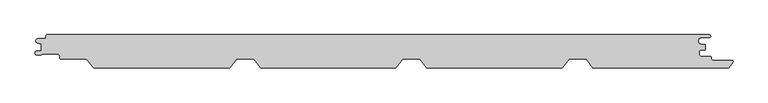
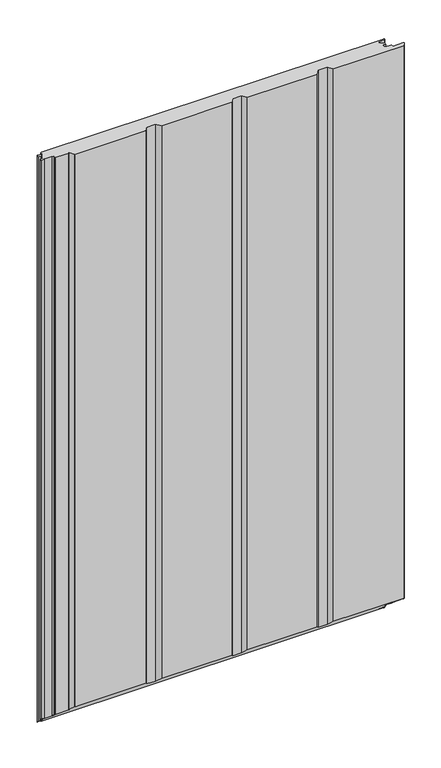
"""IFC4 building model written with IfcOpenShell, lengths in millimetres: proxy geometry."""

from ifc_helpers import new_model, si_unit, frame, origin, place, context, project, spatial, polyline, circle_curve, ellipse_curve, source, transform, mapped, element, save
from ifc_brep_helpers import plane_surface, cylinder_surface, revolved_surface, advanced_brep


def generic_models_5c6fae47(model_context):
    return source(origin(), model_context, "Body", "AdvancedBrep", [
        advanced_brep(
        [(497.8, 20.6, 1750.0), (500.0, 22.8, 1750.0), (497.8, 25.0, 1750.0), (-498.3, 25.0, 1750.0), (-500.0, 23.3, 1750.0), (-500.0, 21.2, 1750.0), (-502.3, 18.9, 1750.0), (-512.1, 18.9, 1750.0), (-512.8423385, 12.3845788, 1750.0), (-507.347117, 11.115907, 1750.0), (-507.347117, 0.4369697, 1750.0), (-513.6706314, 0.4369697, 1750.0), (-513.6706314, -5.5259348, 1750.0), (-507.3945609, -5.5259348, 1750.0), (-506.7792948, -4.9176786, 1750.0), (-505.0374222, -3.9004705, 1750.0), (-482.9999474, -3.9004705, 1750.0), (-479.5999474, -7.3004705, 1750.0), (-479.5999474, -9.6001056, 1750.0), (-477.1999474, -12.0001056, 1750.0), (-440.0250086, -12.0001056, 1750.0), (-438.1509234, -12.9008374, 1750.0), (-429.1021057, -24.2118596, 1750.0), (-427.4622812, -25.0, 1750.0), (-223.3843192, -25.0, 1750.0), (-212.9844163, -12.0, 1750.0), (-187.3999029, -12.0, 1750.0), (-177.0, -25.0, 1750.0), (26.6156808, -25.0, 1750.0), (37.0155837, -12.0, 1750.0), (62.6000971, -12.0, 1750.0), (73.0, -25.0, 1750.0), (276.6156808, -25.0, 1750.0), (287.0155837, -12.0, 1750.0), (312.6000971, -12.0, 1750.0), (323.0, -25.0, 1750.0), (527.1673425, -25.0, 1750.0), (533.3977704, -17.2119652, 1750.0), (531.7579459, -13.8001056, 1750.0), (503.3603917, -13.8001056, 1750.0), (501.3603917, -11.8001056, 1750.0), (501.3603917, -9.8331556, 1750.0), (499.3603917, -7.8331556, 1750.0), (485.634822, -7.8331556, 1750.0), (482.8848221, -5.0831556, 1750.0), (482.8848221, -0.5831555, 1750.0), (485.634822, 2.1668444, 1750.0), (491.826199, 2.1668444, 1750.0), (491.826199, 10.5637731, 1750.0), (486.1740239, 10.5637731, 1750.0), (486.1740239, 20.6, 1750.0), (486.1740239, 20.6, 4.4), (497.8, 20.6, 4.4), (486.1740239, 10.5637731, 14.4362269), (491.826199, 10.5637731, 14.4362269), (499.3603917, -7.8331556, 32.8331556), (485.634822, -7.8331556, 32.8331556), (501.3603917, -9.8331556, 34.8331556), (501.3603917, -11.8001056, 36.8001056), (503.3603917, -13.8001056, 38.8001056), (531.7579459, -13.8001056, 38.8001056), (533.3977704, -17.2119652, 42.2119652), (527.1673425, -25.0, 50.0), (323.0, -25.0, 50.0), (73.0, -25.0, 50.0), (276.6156808, -25.0, 50.0), (-177.0, -25.0, 50.0), (26.6156808, -25.0, 50.0), (-427.4622812, -25.0, 50.0), (-223.3843192, -25.0, 50.0), (-429.1021057, -24.2118596, 49.2118596), (-438.1509234, -12.9008374, 37.9008374), (-440.0250086, -12.0001056, 37.0001056), (-477.1999474, -12.0001056, 37.0001056), (-479.5999474, -9.6001056, 34.6001056), (-479.5999474, -7.3004705, 32.3004705), (-482.9999474, -3.9004705, 28.9004705), (-505.0374222, -3.9004705, 28.9004705), (-506.7792948, -4.9176786, 29.9176786), (-507.3945609, -5.5259348, 30.5259348), (-507.347117, 11.115907, 13.884093), (-507.347117, 0.4369697, 24.5630303), (-512.8423385, 12.3845788, 12.6154212), (-512.1, 18.9, 6.1), (-502.3, 18.9, 6.1), (-500.0, 21.2, 3.8), (-500.0, 23.3, 1.7), (-498.3, 25.0, 0.0), (497.8, 25.0, 0.0), (500.0, 22.8, 2.2), (485.634822, 2.1668444, 22.8331556), (491.826199, 2.1668444, 22.8331556), (-513.6706314, -5.5259348, 30.5259348), (-513.6706314, 0.4369697, 24.5630303), (482.8848221, -0.5831555, 25.5831555), (482.8848221, -5.0831556, 30.0831556), (287.0155837, -12.0, 37.0), (312.6000971, -12.0, 37.0), (37.0155837, -12.0, 37.0), (62.6000971, -12.0, 37.0), (-212.9844163, -12.0, 37.0), (-187.3999029, -12.0, 37.0)],
        [
            (0, 1, circle_curve(frame((497.8, 22.8, 1750.0), z_axis=(0.0, 0.0, 1.0), x_axis=(1.0, 0.0, 0.0)), 2.2)),
            (1, 2, circle_curve(frame((497.8, 22.8, 1750.0), z_axis=(0.0, 0.0, 1.0), x_axis=(1.0, 0.0, 0.0)), 2.2)),
            (2, 3),
            (3, 4, circle_curve(frame((-498.3, 23.3, 1750.0), z_axis=(0.0, 0.0, 1.0), x_axis=(1.0, 0.0, 0.0)), 1.7)),
            (4, 5),
            (5, 6, circle_curve(frame((-502.3, 21.2, 1750.0), z_axis=(0.0, 0.0, -1.0), x_axis=(1.0, 0.0, 0.0)), 2.3)),
            (6, 7),
            (7, 8, circle_curve(frame((-512.1, 15.6, 1750.0), z_axis=(0.0, 0.0, 1.0), x_axis=(1.0, 0.0, 0.0)), 3.3)),
            (8, 9),
            (9, 10),
            (10, 11),
            (11, 12, circle_curve(frame((-513.6706314, -2.5444825, 1750.0), z_axis=(0.0, 0.0, 1.0), x_axis=(1.0, 0.0, 0.0)), 2.9814522)),
            (12, 13),
            (13, 14, circle_curve(frame((-508.5138365, -3.7784532, 1750.0), z_axis=(0.0, 0.0, 1.0), x_axis=(1.0, 0.0, 0.0)), 2.0752035)),
            (14, 15, circle_curve(frame((-505.0374222, -5.9004705, 1750.0), z_axis=(0.0, 0.0, -1.0), x_axis=(1.0, 0.0, 0.0)), 2.0)),
            (15, 16),
            (16, 17, circle_curve(frame((-482.9999474, -7.3004705, 1750.0), z_axis=(0.0, 0.0, -1.0), x_axis=(1.0, 0.0, 0.0)), 3.4)),
            (17, 18),
            (18, 19, circle_curve(frame((-477.1999474, -9.6001056, 1750.0), z_axis=(0.0, 0.0, 1.0), x_axis=(1.0, 0.0, 0.0)), 2.4)),
            (19, 20),
            (20, 21, circle_curve(frame((-440.0250086, -14.4001056, 1750.0), z_axis=(0.0, 0.0, -1.0), x_axis=(1.0, 0.0, 0.0)), 2.4)),
            (21, 22),
            (22, 23, circle_curve(frame((-427.4622812, -22.9, 1750.0), z_axis=(0.0, 0.0, 1.0), x_axis=(1.0, 0.0, 0.0)), 2.1)),
            (23, 24),
            (24, 25),
            (25, 26),
            (26, 27),
            (27, 28),
            (28, 29),
            (29, 30),
            (30, 31),
            (31, 32),
            (32, 33),
            (33, 34),
            (34, 35),
            (35, 36),
            (36, 37),
            (37, 38, circle_curve(frame((531.7579459, -15.9001056, 1750.0), z_axis=(0.0, 0.0, 1.0), x_axis=(1.0, 0.0, 0.0)), 2.1)),
            (38, 39),
            (39, 40, circle_curve(frame((503.3603917, -11.8001056, 1750.0), z_axis=(0.0, 0.0, -1.0), x_axis=(1.0, 0.0, 0.0)), 2.0)),
            (40, 41),
            (41, 42, circle_curve(frame((499.3603917, -9.8331556, 1750.0), z_axis=(0.0, 0.0, 1.0), x_axis=(1.0, 0.0, 0.0)), 2.0)),
            (42, 43),
            (43, 44, circle_curve(frame((485.634822, -5.0831556, 1750.0), z_axis=(0.0, 0.0, -1.0), x_axis=(1.0, 0.0, 0.0)), 2.7499999)),
            (44, 45),
            (45, 46, circle_curve(frame((485.634822, -0.5831555, 1750.0), z_axis=(0.0, 0.0, -1.0), x_axis=(1.0, 0.0, 0.0)), 2.7499999)),
            (46, 47),
            (47, 48),
            (48, 49),
            (49, 50, circle_curve(frame((486.1740239, 15.5818865, 1750.0), z_axis=(0.0, 0.0, -1.0), x_axis=(1.0, 0.0, 0.0)), 5.0181135)),
            (50, 0),
            (50, 51),
            (51, 52),
            (52, 0),
            (49, 53),
            (53, 51, ellipse_curve(frame((486.1740239, 15.5818865, 9.4181135), z_axis=(0.0, -0.7071067811865517, -0.7071067811865434), x_axis=(0.0, 0.7071067811865434, -0.7071067811865517)), 7.0966841, 5.0181135)),
            (48, 54),
            (54, 53),
            (42, 55),
            (55, 56),
            (56, 43),
            (41, 57),
            (57, 55, ellipse_curve(frame((499.3603917, -9.8331556, 34.8331556), z_axis=(0.0, 0.7071067811865517, 0.7071067811865434), x_axis=(0.0, -0.7071067811865434, 0.7071067811865517)), 2.8284271, 2.0)),
            (40, 58),
            (58, 57),
            (39, 59),
            (59, 58, ellipse_curve(frame((503.3603917, -11.8001056, 36.8001056), z_axis=(0.0, -0.7071067811865517, -0.7071067811865434), x_axis=(0.0, 0.7071067811865434, -0.7071067811865517)), 2.8284271, 2.0)),
            (38, 60),
            (60, 59),
            (37, 61),
            (61, 60, ellipse_curve(frame((531.7579459, -15.9001056, 40.9001056), z_axis=(0.0, 0.7071067811865517, 0.7071067811865434), x_axis=(0.0, -0.7071067811865434, 0.7071067811865517)), 2.9698485, 2.1)),
            (36, 62),
            (62, 61),
            (35, 63),
            (63, 62),
            (31, 64),
            (64, 65),
            (65, 32),
            (27, 66),
            (66, 67),
            (67, 28),
            (68, 69),
            (69, 24),
            (23, 68),
            (22, 70),
            (70, 68, ellipse_curve(frame((-427.4622812, -22.9, 47.9), z_axis=(0.0, 0.7071067811865517, 0.7071067811865434), x_axis=(0.0, -0.7071067811865434, 0.7071067811865517)), 2.9698485, 2.1)),
            (21, 71),
            (71, 70),
            (20, 72),
            (72, 71, ellipse_curve(frame((-440.0250086, -14.4001056, 39.4001056), z_axis=(0.0, -0.7071067811865517, -0.7071067811865434), x_axis=(0.0, 0.7071067811865434, -0.7071067811865517)), 3.3941125, 2.4)),
            (19, 73),
            (73, 72),
            (18, 74),
            (74, 73, ellipse_curve(frame((-477.1999474, -9.6001056, 34.6001056), z_axis=(0.0, 0.7071067811865517, 0.7071067811865434), x_axis=(0.0, -0.7071067811865434, 0.7071067811865517)), 3.3941125, 2.4)),
            (17, 75),
            (75, 74),
            (16, 76),
            (76, 75, ellipse_curve(frame((-482.9999474, -7.3004705, 32.3004705), z_axis=(0.0, -0.7071067811865517, -0.7071067811865434), x_axis=(0.0, 0.7071067811865434, -0.7071067811865517)), 4.8083261, 3.4)),
            (15, 77),
            (77, 76),
            (14, 78),
            (78, 77, ellipse_curve(frame((-505.0374222, -5.9004705, 30.9004705), z_axis=(0.0, -0.7071067811865517, -0.7071067811865434), x_axis=(0.0, 0.7071067811865434, -0.7071067811865517)), 2.8284271, 2.0)),
            (13, 79),
            (79, 78, ellipse_curve(frame((-508.5138365, -3.7784532, 28.7784532), z_axis=(0.0, 0.7071067811865517, 0.7071067811865434), x_axis=(0.0, -0.7071067811865434, 0.7071067811865517)), 2.934781, 2.0752035)),
            (9, 80),
            (80, 81),
            (81, 10),
            (8, 82),
            (82, 80),
            (7, 83),
            (83, 82, ellipse_curve(frame((-512.1, 15.6, 9.4), z_axis=(0.0, 0.7071067811865517, 0.7071067811865434), x_axis=(0.0, -0.7071067811865434, 0.7071067811865517)), 4.6669048, 3.3)),
            (6, 84),
            (84, 83),
            (5, 85),
            (85, 84, ellipse_curve(frame((-502.3, 21.2, 3.8), z_axis=(0.0, -0.7071067811865517, -0.7071067811865434), x_axis=(0.0, 0.7071067811865434, -0.7071067811865517)), 3.2526912, 2.3)),
            (4, 86),
            (86, 85),
            (3, 87),
            (87, 86, ellipse_curve(frame((-498.3, 23.3, 1.7), z_axis=(0.0, 0.7071067811865517, 0.7071067811865434), x_axis=(0.0, -0.7071067811865434, 0.7071067811865517)), 2.4041631, 1.7)),
            (2, 88),
            (88, 87),
            (1, 89),
            (89, 88, ellipse_curve(frame((497.8, 22.8, 2.2), z_axis=(0.0, 0.7071067811865517, 0.7071067811865434), x_axis=(0.0, -0.7071067811865434, 0.7071067811865517)), 3.1112698, 2.2)),
            (52, 89, ellipse_curve(frame((497.8, 22.8, 2.2), z_axis=(0.0, 0.7071067811865517, 0.7071067811865434), x_axis=(0.0, -0.7071067811865434, 0.7071067811865517)), 3.1112698, 2.2)),
            (46, 90),
            (90, 91),
            (91, 47),
            (12, 92),
            (92, 79),
            (11, 93),
            (93, 92, ellipse_curve(frame((-513.6706314, -2.5444825, 27.5444825), z_axis=(0.0, 0.7071067811865517, 0.7071067811865434), x_axis=(0.0, -0.7071067811865434, 0.7071067811865517)), 4.2164102, 2.9814522)),
            (81, 93),
            (91, 54),
            (45, 94),
            (94, 90, ellipse_curve(frame((485.634822, -0.5831555, 25.5831555), z_axis=(0.0, -0.7071067811865517, -0.7071067811865434), x_axis=(0.0, 0.7071067811865434, -0.7071067811865517)), 3.8890872, 2.7499999)),
            (44, 95),
            (95, 94),
            (56, 95, ellipse_curve(frame((485.634822, -5.0831556, 30.0831556), z_axis=(0.0, -0.7071067811865517, -0.7071067811865434), x_axis=(0.0, 0.7071067811865434, -0.7071067811865517)), 3.8890872, 2.7499999)),
            (65, 96),
            (96, 33),
            (96, 97),
            (97, 34),
            (97, 63),
            (67, 98),
            (98, 29),
            (98, 99),
            (99, 30),
            (99, 64),
            (69, 100),
            (100, 25),
            (100, 101),
            (101, 26),
            (101, 66),
        ],
        [
            plane_surface(frame((486.1740239, 20.6, 1750.0), z_axis=(0.0, 0.0, 1.0), x_axis=(-1.0, 0.0, 0.0))),
            plane_surface(frame((497.8, 20.6, 1750.0), z_axis=(0.0, -1.0, 0.0), x_axis=(0.0, 0.0, -1.0))),
            revolved_surface(polyline([(491.19213740000004, 15.5818865, 4.4), (491.19213740000004, 15.5818865, 1750.0)]), (486.1740239, 15.5818865, 0.0), (0.0, 0.0, -1.0)),
            plane_surface(frame((486.1740239, 10.5637731, 1750.0), z_axis=(0.0, 1.0, 0.0), x_axis=(0.0, 0.0, -1.0))),
            plane_surface(frame((485.634822, -7.8331556, 1750.0), z_axis=(0.0, 1.0, 0.0), x_axis=(0.0, 0.0, -1.0))),
            cylinder_surface(frame((499.3603917, -9.8331556, 0.0), z_axis=(0.0, 0.0, 1.0), x_axis=(1.0, 0.0, 0.0)), 2.0),
            plane_surface(frame((501.3603917, -9.8331556, 1750.0), z_axis=(1.0, 0.0, 0.0), x_axis=(0.0, 0.0, -1.0))),
            revolved_surface(polyline([(505.3603917, -11.8001056, 34.80010561749819), (505.3603917, -11.8001056, 1750.0)]), (503.3603917, -11.8001056, 0.0), (0.0, 0.0, -1.0)),
            plane_surface(frame((503.3603917, -13.8001056, 1750.0), z_axis=(0.0, 1.0, 0.0), x_axis=(0.0, 0.0, -1.0))),
            cylinder_surface(frame((531.7579459, -15.9001056, 0.0), z_axis=(0.0, 0.0, 1.0), x_axis=(1.0, 0.0, 0.0)), 2.1),
            plane_surface(frame((533.3977704, -17.2119652, 1750.0), z_axis=(0.7808688094430226, -0.6246950475544341, 0.0), x_axis=(0.0, 0.0, -1.0))),
            plane_surface(frame((527.1673425, -25.0, 1750.0), z_axis=(0.0, -1.0, 0.0), x_axis=(0.0, 0.0, -1.0))),
            cylinder_surface(frame((-427.4622812, -22.9, 0.0), z_axis=(0.0, 0.0, 1.0), x_axis=(1.0, 0.0, 0.0)), 2.1),
            plane_surface(frame((-429.1021057, -24.2118596, 1750.0), z_axis=(-0.7808688094348926, -0.6246950475645965, 0.0), x_axis=(0.0, 0.0, -1.0))),
            revolved_surface(polyline([(-437.6250086, -14.4001056, 37.0001056), (-437.6250086, -14.4001056, 1750.0)]), (-440.0250086, -14.4001056, 0.0), (0.0, 0.0, -1.0)),
            plane_surface(frame((-440.0250086, -12.0001056, 1750.0), z_axis=(0.0, -1.0, 0.0), x_axis=(0.0, 0.0, -1.0))),
            cylinder_surface(frame((-477.1999474, -9.6001056, 0.0), z_axis=(0.0, 0.0, 1.0), x_axis=(1.0, 0.0, 0.0)), 2.4),
            plane_surface(frame((-479.5999474, -9.6001056, 1750.0), z_axis=(-1.0, -3.6199400625449958e-12, 0.0), x_axis=(0.0, 0.0, -1.0))),
            revolved_surface(polyline([(-479.5999474, -7.3004705, 28.9004705), (-479.5999474, -7.3004705, 1750.0)]), (-482.9999474, -7.3004705, 0.0), (0.0, 0.0, -1.0)),
            plane_surface(frame((-482.9999474, -3.9004705, 1750.0), z_axis=(0.0, -1.0, 0.0), x_axis=(0.0, 0.0, -1.0))),
            revolved_surface(polyline([(-503.0374222, -5.9004705, 28.9004705), (-503.0374222, -5.9004705, 1750.0)]), (-505.0374222, -5.9004705, 0.0), (0.0, 0.0, -1.0)),
            cylinder_surface(frame((-508.5138365, -3.7784532, 0.0), z_axis=(0.0, 0.0, 1.0), x_axis=(1.0, 0.0, 0.0)), 2.0752035),
            plane_surface(frame((-507.347117, 0.4369697, 1750.0), z_axis=(-1.0, 0.0, 0.0), x_axis=(0.0, 0.0, -1.0))),
            plane_surface(frame((-507.347117, 11.115907, 1750.0), z_axis=(-0.2249510543421518, -0.9743700647856307, 0.0), x_axis=(0.0, 0.0, -1.0))),
            cylinder_surface(frame((-512.1, 15.6, 0.0), z_axis=(0.0, 0.0, 1.0), x_axis=(1.0, 0.0, 0.0)), 3.3),
            plane_surface(frame((-512.1, 18.9, 1750.0), z_axis=(1.1485608382733006e-12, 1.0, 0.0), x_axis=(0.0, 0.0, -1.0))),
            revolved_surface(polyline([(-500.0, 21.2, 1.4999999953741776), (-500.0, 21.2, 1750.0)]), (-502.3, 21.2, 0.0), (0.0, 0.0, -1.0)),
            plane_surface(frame((-500.0, 21.2, 1750.0), z_axis=(-1.0, 4.86645644369633e-12, 0.0), x_axis=(0.0, 0.0, -1.0))),
            cylinder_surface(frame((-498.3, 23.3, 0.0), z_axis=(0.0, 0.0, 1.0), x_axis=(1.0, 0.0, 0.0)), 1.7),
            plane_surface(frame((-498.3, 25.0, 1750.0), z_axis=(0.0, 1.0, 0.0), x_axis=(0.0, 0.0, -1.0))),
            cylinder_surface(frame((497.8, 22.8, 0.0), z_axis=(0.0, 0.0, 1.0), x_axis=(1.0, 0.0, 0.0)), 2.2),
            plane_surface(frame((491.826199, 2.1668444, 1750.0), z_axis=(0.0, -1.0, 0.0), x_axis=(0.0, 0.0, -1.0))),
            plane_surface(frame((-507.3945609, -5.5259348, 1750.0), z_axis=(0.0, -1.0, 0.0), x_axis=(0.0, 0.0, -1.0))),
            cylinder_surface(frame((-513.6706314, -2.5444825, 0.0), z_axis=(0.0, 0.0, 1.0), x_axis=(1.0, 0.0, 0.0)), 2.9814522),
            plane_surface(frame((-513.6706314, 0.4369697, 1750.0), z_axis=(0.0, 1.0, 0.0), x_axis=(0.0, 0.0, -1.0))),
            plane_surface(frame((491.826199, 10.5637731, 1750.0), z_axis=(1.0, 0.0, 0.0), x_axis=(0.0, 0.0, -1.0))),
            revolved_surface(polyline([(488.38482189999996, -0.5831555, 22.83315556825418), (488.38482189999996, -0.5831555, 1750.0)]), (485.634822, -0.5831555, 0.0), (0.0, 0.0, -1.0)),
            plane_surface(frame((482.8848221, -0.5831555, 1750.0), z_axis=(1.0, 0.0, 0.0), x_axis=(0.0, 0.0, -1.0))),
            revolved_surface(polyline([(488.38482189999996, -5.0831556, 27.333155668254182), (488.38482189999996, -5.0831556, 1750.0)]), (485.634822, -5.0831556, 0.0), (0.0, 0.0, -1.0)),
            plane_surface(frame((276.6156808, -25.0, 1750.0), z_axis=(0.780871653239246, -0.6246914927925679, 0.0), x_axis=(0.0, 0.0, -1.0))),
            plane_surface(frame((287.0155837, -12.0, 1750.0), z_axis=(0.0, -1.0, 0.0), x_axis=(0.0, 0.0, -1.0))),
            plane_surface(frame((312.6000971, -12.0, 1750.0), z_axis=(-0.78087165323875, -0.6246914927931878, 0.0), x_axis=(0.0, 0.0, -1.0))),
            plane_surface(frame((26.6156808, -25.0, 1750.0), z_axis=(0.7808716532392458, -0.624691492792568, 0.0), x_axis=(0.0, 0.0, -1.0))),
            plane_surface(frame((37.0155837, -12.0, 1750.0), z_axis=(0.0, -1.0, 0.0), x_axis=(0.0, 0.0, -1.0))),
            plane_surface(frame((62.6000971, -12.0, 1750.0), z_axis=(-0.78087165323875, -0.6246914927931878, 0.0), x_axis=(0.0, 0.0, -1.0))),
            plane_surface(frame((-223.3843192, -25.0, 1750.0), z_axis=(0.780871653239246, -0.6246914927925679, 0.0), x_axis=(0.0, 0.0, -1.0))),
            plane_surface(frame((-212.9844163, -12.0, 1750.0), z_axis=(0.0, -1.0, 0.0), x_axis=(0.0, 0.0, -1.0))),
            plane_surface(frame((-187.3999029, -12.0, 1750.0), z_axis=(-0.78087165323875, -0.6246914927931878, 0.0), x_axis=(0.0, 0.0, -1.0))),
            plane_surface(frame((589.1510425, -25.0, 50.0), z_axis=(0.0, -0.7071067811865517, -0.7071067811865434), x_axis=(-1.0, 0.0, 0.0))),
        ],
        [
            (0, [[1, 2, 3, 4, 5, 6, 7, 8, 9, 10, 11, 12, 13, 14, 15, 16, 17, 18, 19, 20, 21, 22, 23, 24, 25, 26, 27, 28, 29, 30, 31, 32, 33, 34, 35, 36, 37, 38, 39, 40, 41, 42, 43, 44, 45, 46, 47, 48, 49, 50, 51]]),
            (1, [[52, 53, 54, -51]]),
            (2, [[55, 56, -52, -50]]),
            (3, [[57, 58, -55, -49]]),
            (4, [[59, 60, 61, -43]]),
            (5, [[62, 63, -59, -42]]),
            (6, [[64, 65, -62, -41]]),
            (7, [[66, 67, -64, -40]]),
            (8, [[68, 69, -66, -39]]),
            (9, [[70, 71, -68, -38]]),
            (10, [[72, 73, -70, -37]]),
            (11, [[-36, 74, 75, -72]]),
            (11, [[-32, 76, 77, 78]]),
            (11, [[-28, 79, 80, 81]]),
            (11, [[82, 83, -24, 84]]),
            (12, [[85, 86, -84, -23]]),
            (13, [[87, 88, -85, -22]]),
            (14, [[89, 90, -87, -21]]),
            (15, [[91, 92, -89, -20]]),
            (16, [[93, 94, -91, -19]]),
            (17, [[95, 96, -93, -18]]),
            (18, [[97, 98, -95, -17]]),
            (19, [[99, 100, -97, -16]]),
            (20, [[101, 102, -99, -15]]),
            (21, [[103, 104, -101, -14]]),
            (22, [[105, 106, 107, -10]]),
            (23, [[108, 109, -105, -9]]),
            (24, [[110, 111, -108, -8]]),
            (25, [[112, 113, -110, -7]]),
            (26, [[114, 115, -112, -6]]),
            (27, [[116, 117, -114, -5]]),
            (28, [[118, 119, -116, -4]]),
            (29, [[120, 121, -118, -3]]),
            (30, [[122, 123, -120, -2]]),
            (30, [[-54, 124, -122, -1]]),
            (31, [[125, 126, 127, -47]]),
            (32, [[128, 129, -103, -13]]),
            (33, [[130, 131, -128, -12]]),
            (34, [[-107, 132, -130, -11]]),
            (35, [[-127, 133, -57, -48]]),
            (36, [[134, 135, -125, -46]]),
            (37, [[136, 137, -134, -45]]),
            (38, [[-61, 138, -136, -44]]),
            (39, [[-33, -78, 139, 140]]),
            (40, [[141, 142, -34, -140]]),
            (41, [[143, -74, -35, -142]]),
            (42, [[-29, -81, 144, 145]]),
            (43, [[146, 147, -30, -145]]),
            (44, [[148, -76, -31, -147]]),
            (45, [[-25, -83, 149, 150]]),
            (46, [[151, 152, -26, -150]]),
            (47, [[153, -79, -27, -152]]),
            (48, [[-56, -58, -133, -126, -135, -137, -138, -60, -63, -65, -67, -69, -71, -73, -75, -143, -141, -139, -77, -148, -146, -144, -80, -153, -151, -149, -82, -86, -88, -90, -92, -94, -96, -98, -100, -102, -104, -129, -131, -132, -106, -109, -111, -113, -115, -117, -119, -121, -123, -124, -53]]),
        ],
    ),
    ])


if __name__ == "__main__":
    model = new_model("IFC4")
    model_context = context("Model", 3, world=origin())
    ifc_project = project(units=[si_unit("LENGTHUNIT", "METRE", prefix="MILLI")], contexts=[model_context])
    site = spatial("IfcSite", under=ifc_project)
    building = spatial("IfcBuilding", under=site)
    placement = place(None, origin())
    generic_models_shape = generic_models_5c6fae47(model_context)
    element("IfcBuildingElementProxy", 1, Name="Generic Models", at=placement, inside=building, context=model_context, shape_type="MappedRepresentation", body=[
        mapped(generic_models_shape, transform((0.0, 0.0, 0.0), x_axis=(1.0, 0.0, 0.0), y_axis=(0.0, 1.0, 0.0), z_axis=(0.0, 0.0, 1.0))),
    ])
    save(model, "model.ifc")
